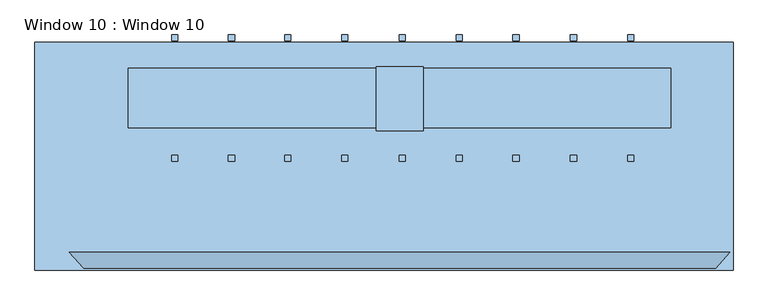
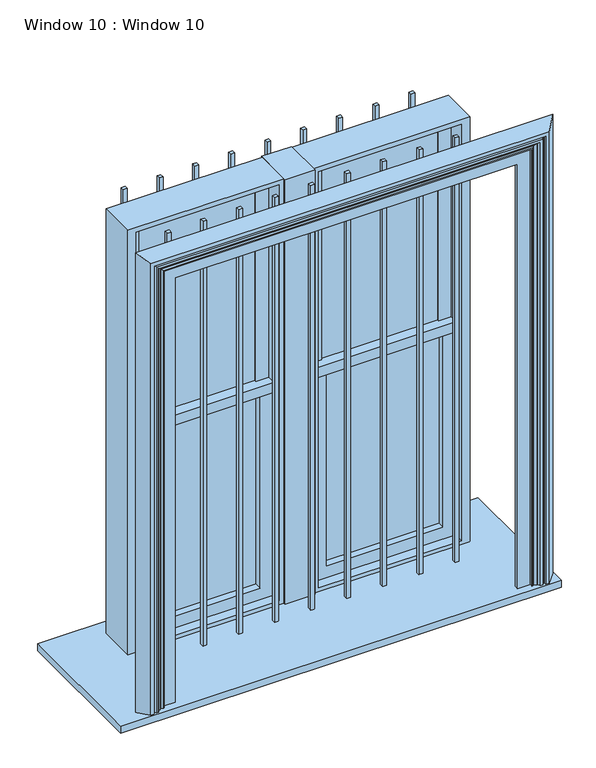
"""IFC4 building model written with IfcOpenShell, lengths in millimetres: window geometry, Window 10 : Window 10."""

from ifc_helpers import new_model, si_unit, frame, origin, place, context, project, spatial, polyline, outline, extrude, faceted_brep, source, transform, mapped, element, save


def window_10_window_10_bd2ac10b(model_context):
    return source(origin(), model_context, "Body", "SolidModel", [
        extrude(outline(polyline([(-101.7965789, 111.045789), (-839.8615079, 111.045789), (-839.8615079, 200.9854123), (-101.7965789, 200.9854123), (-101.7965789, 111.045789)])), frame((0.0, 0.0, 2084.126642), z_axis=(0.0, 0.0, 1.0), x_axis=(1.0, 0.0, 0.0)), (0.0, 0.0, 1.0), 54.7913242),
        extrude(outline(polyline([(839.8615079, 111.045789), (101.7965789, 111.045789), (101.7965789, 200.9854123), (839.8615079, 200.9854123), (839.8615079, 111.045789)])), frame((0.0, 0.0, 2084.126642), z_axis=(0.0, 0.0, 1.0), x_axis=(1.0, 0.0, 0.0)), (0.0, 0.0, 1.0), 54.7913242),
        extrude(outline(polyline([(1087.501, -400.05), (-1189.101, -400.05), (-1189.101, 342.9), (1087.501, 342.9), (1087.501, -400.05)])), frame((0.0, 0.0, 914.4), z_axis=(0.0, 0.0, 1.0), x_axis=(1.0, 0.0, 0.0)), (0.0, 0.0, 1.0), 38.1),
        extrude(outline(polyline([(-722.8128936, 347.857639), (-743.1120915, 347.857639), (-743.1120915, 366.1692839), (-722.8128936, 366.1692839), (-722.8128936, 347.857639)])), frame((0.0, 0.0, 952.5), z_axis=(0.0, 0.0, 1.0), x_axis=(1.0, 0.0, 0.0)), (0.0, 0.0, 1.0), 2318.512),
        extrude(outline(polyline([(-538.2770998, 347.857639), (-558.5762977, 347.857639), (-558.5762977, 366.1692839), (-538.2770998, 366.1692839), (-538.2770998, 347.857639)])), frame((0.0, 0.0, 952.5), z_axis=(0.0, 0.0, 1.0), x_axis=(1.0, 0.0, 0.0)), (0.0, 0.0, 1.0), 2318.512),
        extrude(outline(polyline([(-354.2262627, 347.857639), (-374.5254606, 347.857639), (-374.5254606, 366.1692839), (-354.2262627, 366.1692839), (-354.2262627, 347.857639)])), frame((0.0, 0.0, 952.5), z_axis=(0.0, 0.0, 1.0), x_axis=(1.0, 0.0, 0.0)), (0.0, 0.0, 1.0), 2318.512),
        extrude(outline(polyline([(-168.6323277, 347.857639), (-188.9315256, 347.857639), (-188.9315256, 366.1692839), (-168.6323277, 366.1692839), (-168.6323277, 347.857639)])), frame((0.0, 0.0, 952.5), z_axis=(0.0, 0.0, 1.0), x_axis=(1.0, 0.0, 0.0)), (0.0, 0.0, 1.0), 2318.512),
        extrude(outline(polyline([(-1.0635049, 347.857639), (-1.0635049, 366.1692839), (19.235693, 366.1692839), (19.235693, 347.857639), (-1.0635049, 347.857639)])), frame((0.0, 0.0, 952.5), z_axis=(0.0, 0.0, 1.0), x_axis=(1.0, 0.0, 0.0)), (0.0, 0.0, 1.0), 2318.512),
        extrude(outline(polyline([(205.0488157, 347.857639), (184.7496179, 347.857639), (184.7496179, 366.1692839), (205.0488157, 366.1692839), (205.0488157, 347.857639)])), frame((0.0, 0.0, 952.5), z_axis=(0.0, 0.0, 1.0), x_axis=(1.0, 0.0, 0.0)), (0.0, 0.0, 1.0), 2318.512),
        extrude(outline(polyline([(389.7326427, 347.857639), (369.4334449, 347.857639), (369.4334449, 366.1692839), (389.7326427, 366.1692839), (389.7326427, 347.857639)])), frame((0.0, 0.0, 952.5), z_axis=(0.0, 0.0, 1.0), x_axis=(1.0, 0.0, 0.0)), (0.0, 0.0, 1.0), 2318.512),
        extrude(outline(polyline([(577.3554218, 347.857639), (557.0562239, 347.857639), (557.0562239, 366.1692839), (577.3554218, 366.1692839), (577.3554218, 347.857639)])), frame((0.0, 0.0, 952.5), z_axis=(0.0, 0.0, 1.0), x_axis=(1.0, 0.0, 0.0)), (0.0, 0.0, 1.0), 2318.512),
        extrude(outline(polyline([(764.3395857, 347.857639), (744.0403878, 347.857639), (744.0403878, 366.1692839), (764.3395857, 366.1692839), (764.3395857, 347.857639)])), frame((0.0, 0.0, 952.5), z_axis=(0.0, 0.0, 1.0), x_axis=(1.0, 0.0, 0.0)), (0.0, 0.0, 1.0), 2318.512),
        extrude(outline(polyline([(-722.8128936, -26.793606), (-722.8128936, -45.1052509), (-743.1120915, -45.1052509), (-743.1120915, -26.793606), (-722.8128936, -26.793606)])), frame((0.0, 0.0, 952.5), z_axis=(0.0, 0.0, 1.0), x_axis=(1.0, 0.0, 0.0)), (0.0, 0.0, 1.0), 2318.512),
        extrude(outline(polyline([(-538.2770998, -26.793606), (-538.2770998, -45.1052509), (-558.5762977, -45.1052509), (-558.5762977, -26.793606), (-538.2770998, -26.793606)])), frame((0.0, 0.0, 952.5), z_axis=(0.0, 0.0, 1.0), x_axis=(1.0, 0.0, 0.0)), (0.0, 0.0, 1.0), 2318.512),
        extrude(outline(polyline([(-354.2262627, -26.793606), (-354.2262627, -45.1052509), (-374.5254606, -45.1052509), (-374.5254606, -26.793606), (-354.2262627, -26.793606)])), frame((0.0, 0.0, 952.5), z_axis=(0.0, 0.0, 1.0), x_axis=(1.0, 0.0, 0.0)), (0.0, 0.0, 1.0), 2318.512),
        extrude(outline(polyline([(-168.6323277, -26.793606), (-168.6323277, -45.1052509), (-188.9315256, -45.1052509), (-188.9315256, -26.793606), (-168.6323277, -26.793606)])), frame((0.0, 0.0, 952.5), z_axis=(0.0, 0.0, 1.0), x_axis=(1.0, 0.0, 0.0)), (0.0, 0.0, 1.0), 2318.512),
        extrude(outline(polyline([(-1.0635049, -26.793606), (19.235693, -26.793606), (19.235693, -45.1052509), (-1.0635049, -45.1052509), (-1.0635049, -26.793606)])), frame((0.0, 0.0, 952.5), z_axis=(0.0, 0.0, 1.0), x_axis=(1.0, 0.0, 0.0)), (0.0, 0.0, 1.0), 2318.512),
        extrude(outline(polyline([(205.0488157, -26.793606), (205.0488157, -45.1052509), (184.7496179, -45.1052509), (184.7496179, -26.793606), (205.0488157, -26.793606)])), frame((0.0, 0.0, 952.5), z_axis=(0.0, 0.0, 1.0), x_axis=(1.0, 0.0, 0.0)), (0.0, 0.0, 1.0), 2318.512),
        extrude(outline(polyline([(389.7326427, -26.793606), (389.7326427, -45.1052509), (369.4334449, -45.1052509), (369.4334449, -26.793606), (389.7326427, -26.793606)])), frame((0.0, 0.0, 952.5), z_axis=(0.0, 0.0, 1.0), x_axis=(1.0, 0.0, 0.0)), (0.0, 0.0, 1.0), 2318.512),
        extrude(outline(polyline([(577.3554218, -26.793606), (577.3554218, -45.1052509), (557.0562239, -45.1052509), (557.0562239, -26.793606), (577.3554218, -26.793606)])), frame((0.0, 0.0, 952.5), z_axis=(0.0, 0.0, 1.0), x_axis=(1.0, 0.0, 0.0)), (0.0, 0.0, 1.0), 2318.512),
        extrude(outline(polyline([(764.3395857, -26.793606), (764.3395857, -45.1052509), (744.0403878, -45.1052509), (744.0403878, -26.793606), (764.3395857, -26.793606)])), frame((0.0, 0.0, 952.5), z_axis=(0.0, 0.0, 1.0), x_axis=(1.0, 0.0, 0.0)), (0.0, 0.0, 1.0), 2318.512),
        extrude(outline(polyline([(76.8413244, 54.0480947), (-76.8413244, 54.0480947), (-76.8413244, 262.5952777), (76.8413244, 262.5952777), (76.8413244, 54.0480947)])), frame((0.0, 0.0, 952.5), z_axis=(0.0, 0.0, 1.0), x_axis=(1.0, 0.0, 0.0)), (0.0, 0.0, 1.0), 2318.512),
        extrude(outline(polyline([(3271.012, -76.8413244), (3271.012, -884.301), (952.5, -884.301), (952.5, -76.8413244), (3271.012, -76.8413244)]), holes=[polyline([(974.09, -101.7965789), (974.09, -839.8615079), (3245.6983875, -839.8615079), (3245.6983875, -101.7965789), (974.09, -101.7965789)])]), frame((0.0, 63.2498903, 0.0), z_axis=(0.0, 1.0, 0.0), x_axis=(0.0, 0.0, 1.0)), (0.0, 0.0, 1.0), 193.4484902),
        extrude(outline(polyline([(3271.012, 884.301), (3271.012, 76.8413244), (952.5, 76.8413244), (952.5, 884.301), (3271.012, 884.301)]), holes=[polyline([(974.09, 839.8615079), (974.09, 101.7965789), (3245.6983875, 101.7965789), (3245.6983875, 839.8615079), (974.09, 839.8615079)])]), frame((0.0, 63.2498903, 0.0), z_axis=(0.0, 1.0, 0.0), x_axis=(0.0, 0.0, 1.0)), (0.0, 0.0, 1.0), 193.4484902),
        faceted_brep([(884.301, -342.9, 952.5), (1077.0840809, -342.9, 952.5), (1030.4434656, -394.7582935, 952.5), (1011.2323909, -394.7582935, 952.5), (1011.2323909, -383.249835, 952.5), (1006.0829991, -383.249835, 952.5), (997.937647, -391.0869133, 952.5), (985.9726738, -391.0869133, 952.5), (978.6143111, -378.9364376, 952.5), (973.3897572, -378.9364376, 952.5), (963.0643264, -370.6569351, 952.5), (956.2642974, -376.7244725, 952.5), (950.6785017, -376.7244725, 952.5), (950.6785017, -361.5962122, 952.5), (884.301, -361.5962122, 952.5), (884.301, -342.9, 3271.012), (-884.301, -342.9, 3271.012), (-884.301, -342.9, 952.5), (-1077.0840809, -342.9, 952.5), (-1077.0840809, -342.9, 3463.7950809), (1077.0840809, -342.9, 3463.7950809), (1030.4434656, -394.7582935, 3417.1544656), (-1030.4434656, -394.7582935, 3417.1544656), (-1030.4434656, -394.7582935, 952.5), (-1011.2323909, -394.7582935, 952.5), (-1011.2323909, -394.7582935, 3397.9433909), (1011.2323909, -394.7582935, 3397.9433909), (1011.2323909, -383.249835, 3397.9433909), (-1011.2323909, -383.249835, 3397.9433909), (-1011.2323909, -383.249835, 952.5), (-1006.0829991, -383.249835, 952.5), (-1006.0829991, -383.249835, 3392.7939991), (1006.0829991, -383.249835, 3392.7939991), (997.937647, -391.0869133, 3384.648647), (-997.937647, -391.0869133, 3384.648647), (-997.937647, -391.0869133, 952.5), (-985.9726738, -391.0869133, 952.5), (-985.9726738, -391.0869133, 3372.6836738), (985.9726738, -391.0869133, 3372.6836738), (978.6143111, -378.9364376, 3365.3253111), (-978.6143111, -378.9364376, 3365.3253111), (-978.6143111, -378.9364376, 952.5), (-973.3897572, -378.9364376, 952.5), (-973.3897572, -378.9364376, 3360.1007572), (973.3897572, -378.9364376, 3360.1007572), (963.0643264, -370.6569351, 3349.7753264), (956.2642974, -376.7244725, 3342.9752974), (-956.2642974, -376.7244725, 3342.9752974), (-956.2642974, -376.7244725, 952.5), (-950.6785017, -376.7244725, 952.5), (-950.6785017, -376.7244725, 3337.3895017), (950.6785017, -376.7244725, 3337.3895017), (950.6785017, -361.5962122, 3337.3895017), (-950.6785017, -361.5962122, 3337.3895017), (-950.6785017, -361.5962122, 952.5), (-884.301, -361.5962122, 952.5), (-884.301, -361.5962122, 3271.012), (884.301, -361.5962122, 3271.012), (-963.0643264, -370.6569351, 952.5), (-963.0643264, -370.6569351, 3349.7753264)], [[[0, 1, 2, 3, 4, 5, 6, 7, 8, 9, 10, 11, 12, 13, 14]], [[1, 0, 15, 16, 17, 18, 19, 20]], [[2, 1, 20, 21]], [[3, 2, 21, 22, 23, 24, 25, 26]], [[4, 3, 26, 27]], [[5, 4, 27, 28, 29, 30, 31, 32]], [[6, 5, 32, 33]], [[7, 6, 33, 34, 35, 36, 37, 38]], [[8, 7, 38, 39]], [[9, 8, 39, 40, 41, 42, 43, 44]], [[10, 9, 44, 45]], [[11, 10, 45, 46]], [[12, 11, 46, 47, 48, 49, 50, 51]], [[13, 12, 51, 52]], [[14, 13, 52, 53, 54, 55, 56, 57]], [[0, 14, 57, 15]], [[17, 55, 54, 49, 48, 58, 42, 41, 36, 35, 30, 29, 24, 23, 18]], [[16, 56, 55, 17]], [[53, 50, 49, 54]], [[47, 59, 58, 48]], [[59, 43, 42, 58]], [[40, 37, 36, 41]], [[34, 31, 30, 35]], [[28, 25, 24, 29]], [[22, 19, 18, 23]], [[15, 57, 56, 16]], [[21, 20, 19, 22]], [[27, 26, 25, 28]], [[33, 32, 31, 34]], [[39, 38, 37, 40]], [[45, 44, 43, 59]], [[46, 45, 59, 47]], [[52, 51, 50, 53]]]),
        extrude(outline(polyline([(-170.0307575, 152.4), (-775.0117286, 152.4), (-775.0117286, 177.8), (-170.0307575, 177.8), (-170.0307575, 152.4)])), frame((0.0, 0.0, 1037.6781163), z_axis=(0.0, 0.0, 1.0), x_axis=(1.0, 0.0, 0.0)), (0.0, 0.0, 1.0), 1046.4485256),
        extrude(outline(polyline([(775.0117286, 152.4), (170.0307575, 152.4), (170.0307575, 177.8), (775.0117286, 177.8), (775.0117286, 152.4)])), frame((0.0, 0.0, 1037.6781163), z_axis=(0.0, 0.0, 1.0), x_axis=(1.0, 0.0, 0.0)), (0.0, 0.0, 1.0), 1046.4485256),
        extrude(outline(polyline([(2084.126642, 101.7965789), (974.09, 101.7965789), (974.09, 839.8615079), (2084.126642, 839.8615079), (2084.126642, 775.0117286), (1037.6781163, 775.0117286), (1037.6781163, 170.0307575), (2084.126642, 170.0307575), (2084.126642, 101.7965789)])), frame((0.0, 114.1894045, 0.0), z_axis=(0.0, 1.0, 0.0), x_axis=(0.0, 0.0, 1.0)), (0.0, 0.0, 1.0), 89.2159841),
        extrude(outline(polyline([(2084.126642, -775.0117286), (2084.126642, -839.8615079), (974.09, -839.8615079), (974.09, -101.7965789), (2084.126642, -101.7965789), (2084.126642, -170.0307575), (1037.6781163, -170.0307575), (1037.6781163, -775.0117286), (2084.126642, -775.0117286)])), frame((0.0, 114.1894045, 0.0), z_axis=(0.0, 1.0, 0.0), x_axis=(0.0, 0.0, 1.0)), (0.0, 0.0, 1.0), 89.2159841),
        extrude(outline(polyline([(-170.0307575, 165.1), (-775.0117286, 165.1), (-775.0117286, 190.5), (-170.0307575, 190.5), (-170.0307575, 165.1)])), frame((0.0, 0.0, 2138.9179661), z_axis=(0.0, 0.0, 1.0), x_axis=(1.0, 0.0, 0.0)), (0.0, 0.0, 1.0), 1070.3540437),
        extrude(outline(polyline([(775.0117286, 165.1), (170.0307575, 165.1), (170.0307575, 190.5), (775.0117286, 190.5), (775.0117286, 165.1)])), frame((0.0, 0.0, 2138.9179661), z_axis=(0.0, 0.0, 1.0), x_axis=(1.0, 0.0, 0.0)), (0.0, 0.0, 1.0), 1070.3540437),
        extrude(outline(polyline([(3245.6983875, -839.8615079), (2138.9179661, -839.8615079), (2138.9179661, -775.0117286), (3209.2720098, -775.0117286), (3209.2720098, -170.0307575), (2138.9179661, -170.0307575), (2138.9179661, -101.7965789), (3245.6983875, -101.7965789), (3245.6983875, -839.8615079)])), frame((0.0, 155.7586444, 0.0), z_axis=(0.0, 1.0, 0.0), x_axis=(0.0, 0.0, 1.0)), (0.0, 0.0, 1.0), 47.6467442),
        extrude(outline(polyline([(2138.9179661, 775.0117286), (2138.9179661, 839.8615079), (3245.6983875, 839.8615079), (3245.6983875, 101.7965789), (2138.9179661, 101.7965789), (2138.9179661, 170.0307575), (3209.2720098, 170.0307575), (3209.2720098, 775.0117286), (2138.9179661, 775.0117286)])), frame((0.0, 155.7586444, 0.0), z_axis=(0.0, 1.0, 0.0), x_axis=(0.0, 0.0, 1.0)), (0.0, 0.0, 1.0), 47.6467442),
    ])


if __name__ == "__main__":
    model = new_model("IFC4")
    model_context = context("Model", 3, world=origin())
    ifc_project = project(units=[si_unit("LENGTHUNIT", "METRE", prefix="MILLI")], contexts=[model_context])
    site = spatial("IfcSite", under=ifc_project)
    building = spatial("IfcBuilding", under=site)
    placement = place(None, origin())
    window_10_window_10_shape = window_10_window_10_bd2ac10b(model_context)
    element("IfcWindow", 1, ObjectType="Window 10 : Window 10", at=placement, inside=building, context=model_context, shape_type="MappedRepresentation", body=[
        mapped(window_10_window_10_shape, transform((0.0, 0.0, 0.0), x_axis=(1.0, 0.0, 0.0), y_axis=(0.0, 1.0, 0.0), z_axis=(0.0, 0.0, 1.0))),
    ])
    save(model, "model.ifc")
